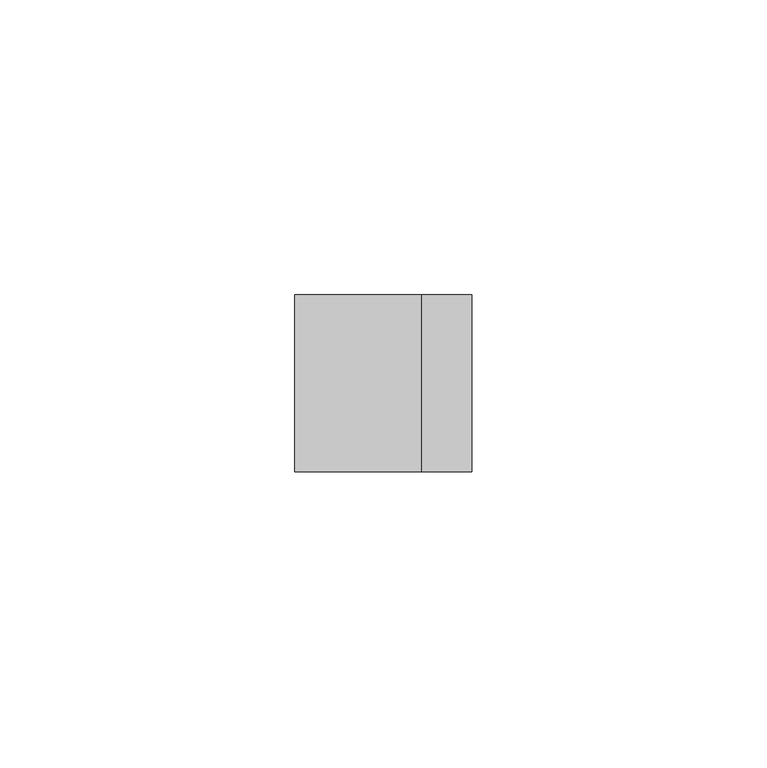
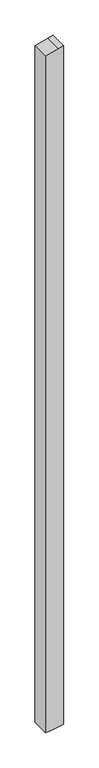
"""IFC4 building model written with IfcOpenShell, lengths in millimetres: member geometry."""

import ifcopenshell
import ifcopenshell.guid

model = None  # the IFC model being written
_history = None  # IfcOwnerHistory: only IFC2X3 demands one
_inside = {}  # id of a spatial element -> (the spatial element, [elements in it])
_under = {}  # id of a project, library or spatial element -> (it, [spatial elements below it])
_declared = {}  # id of a project -> (the project, [libraries it declares])
_typed = {}  # id of a type object -> (the type object, [elements of that type])
_made_of = {}  # id of a material, layer set ... -> (it, [elements and type objects made of it])


def new_model(schema):
    """Start an empty IFC model of exactly this schema.

    Asked for "IFC4X3", IfcOpenShell would pick the latest addendum, in which some entities
    have other attributes; the version numbers below select the first issue.
    IFC2X3 requires an IfcOwnerHistory on every rooted entity: one is made here for all.
    """
    global model, _history
    if schema == "IFC4X3":
        model = ifcopenshell.file(schema_version=(4, 3, 0, 0))
    else:
        model = ifcopenshell.file(schema=schema)
    _inside.clear()
    _under.clear()
    _declared.clear()
    _typed.clear()
    _made_of.clear()
    _history = None
    if model.schema == "IFC2X3":
        org = make("IfcOrganization", Name="unknown")
        user = make(
            "IfcPersonAndOrganization",
            ThePerson=make("IfcPerson", FamilyName="unknown"),
            TheOrganization=org,
        )
        app = make(
            "IfcApplication",
            ApplicationDeveloper=org,
            Version="unknown",
            ApplicationFullName="unknown",
            ApplicationIdentifier="unknown",
        )
        _history = make(
            "IfcOwnerHistory",
            OwningUser=user,
            OwningApplication=app,
            ChangeAction="ADDED",
            CreationDate=0,
        )
    return model


def make(cls, **values):
    """One entity of the class cls with the attributes given. An attribute that is None is left unset."""
    return model.create_entity(
        cls, **{name: value for name, value in values.items() if value is not None}
    )


def rooted(cls, **values):
    """An entity with a GlobalId (a new one), such as an element, a storey or a relation."""
    return make(cls, GlobalId=ifcopenshell.guid.new(), OwnerHistory=_history, **values)


def si_unit(unit_type, name, prefix=None):
    """IfcSIUnit, for example si_unit("LENGTHUNIT", "METRE", prefix="MILLI")."""
    return make("IfcSIUnit", UnitType=unit_type, Prefix=prefix, Name=name)


def assignment(units):
    """IfcUnitAssignment: the units of a project."""
    return None if units is None else make("IfcUnitAssignment", Units=units)


def point(xyz):
    """IfcCartesianPoint."""
    return None if xyz is None else make("IfcCartesianPoint", Coordinates=xyz)


def direction(xyz):
    """IfcDirection."""
    return None if xyz is None else make("IfcDirection", DirectionRatios=xyz)


def frame(location, z_axis=None, x_axis=None):
    """IfcAxis2Placement3D, a coordinate frame: its origin and axes. An axis left out is left unset."""
    return make(
        "IfcAxis2Placement3D",
        Location=point(location),
        Axis=direction(z_axis),
        RefDirection=direction(x_axis),
    )


def origin():
    """The frame at (0, 0, 0) with its axes left unset."""
    return frame((0.0, 0.0, 0.0))


def place(relative_to, where):
    """IfcLocalPlacement: puts the frame where relative to a parent placement (None: the world)."""
    return make(
        "IfcLocalPlacement", PlacementRelTo=relative_to, RelativePlacement=where
    )


def context(
    kind, dimensions, precision=None, world=None, true_north=None, identifier=None
):
    """IfcGeometricRepresentationContext, for example the 3D "Model" context."""
    return make(
        "IfcGeometricRepresentationContext",
        ContextIdentifier=identifier,
        ContextType=kind,
        CoordinateSpaceDimension=dimensions,
        Precision=precision,
        WorldCoordinateSystem=world,
        TrueNorth=true_north,
    )


def project(units=None, contexts=None):
    """IfcProject with its units and contexts."""
    return rooted(
        "IfcProject",
        Name="project",
        RepresentationContexts=contexts,
        UnitsInContext=assignment(units),
    )


def spatial(cls, under=None, at=None, **own):
    """A site, building, storey or space (cls), placed at a placement, below another one or the project."""
    s = rooted(cls, ObjectPlacement=at, **own)
    if under is not None:
        _under.setdefault(under.id(), (under, []))[1].append(s)
    return s


def polyline(points):
    """IfcPolyline through the points."""
    return make("IfcPolyline", Points=[point(p) for p in points])


def outline(outer, holes=None, kind="AREA"):
    """IfcArbitraryClosedProfileDef: a profile drawn as a closed curve; with holes, ...WithVoids."""
    if holes is None:
        return make("IfcArbitraryClosedProfileDef", ProfileType=kind, OuterCurve=outer)
    return make(
        "IfcArbitraryProfileDefWithVoids",
        ProfileType=kind,
        OuterCurve=outer,
        InnerCurves=holes,
    )


def extrude(swept, where, along, depth):
    """IfcExtrudedAreaSolid: the profile swept, set in the frame where, extruded along a direction by depth."""
    return make(
        "IfcExtrudedAreaSolid",
        SweptArea=swept,
        Position=where,
        ExtrudedDirection=direction(along),
        Depth=depth,
    )


def shape(context_of_items, identifier, shape_type, items):
    """IfcShapeRepresentation: the items that make up one representation, for example the "Body"."""
    return make(
        "IfcShapeRepresentation",
        ContextOfItems=context_of_items,
        RepresentationIdentifier=identifier,
        RepresentationType=shape_type,
        Items=items,
    )


def source(mapping_origin, context_of_items, identifier, shape_type, items):
    """IfcRepresentationMap: a shape defined once, which mapped items show again and again."""
    return make(
        "IfcRepresentationMap",
        MappingOrigin=mapping_origin,
        MappedRepresentation=shape(context_of_items, identifier, shape_type, items),
    )


def transform(
    local_origin,
    x_axis=None,
    y_axis=None,
    z_axis=None,
    scale=None,
    scale2=None,
    scale3=None,
    uniform=True,
):
    """IfcCartesianTransformationOperator3D, or its non-uniform kind. x_axis, y_axis, z_axis: its Axis1, 2, 3."""
    if uniform:
        return make(
            "IfcCartesianTransformationOperator3D",
            Axis1=direction(x_axis),
            Axis2=direction(y_axis),
            LocalOrigin=point(local_origin),
            Scale=scale,
            Axis3=direction(z_axis),
        )
    return make(
        "IfcCartesianTransformationOperator3DnonUniform",
        Axis1=direction(x_axis),
        Axis2=direction(y_axis),
        LocalOrigin=point(local_origin),
        Scale=scale,
        Axis3=direction(z_axis),
        Scale2=scale2,
        Scale3=scale3,
    )


def mapped(mapping_source, mapping_target):
    """IfcMappedItem: shows the shape of a source again, moved by a transform."""
    return make(
        "IfcMappedItem", MappingSource=mapping_source, MappingTarget=mapping_target
    )


def made_of(thing, what):
    """Note that an element or type object is made of a material, layer set ...; save() writes the relation."""
    if what is not None:
        _made_of.setdefault(what.id(), (what, []))[1].append(thing)
    return thing


def element(
    cls,
    number,
    at=None,
    inside=None,
    cuts=None,
    type_object=None,
    material=None,
    context=None,
    identifier="Body",
    shape_type=None,
    held_by="IfcProductDefinitionShape",
    body=None,
    shapes=None,
    **own,
):
    """One element of the class cls, such as IfcWall. Its Tag is "e" and its number.

    at: its placement. inside: the storey or other place that contains it. cuts: it is an
    opening in that element (IfcRelVoidsElement). A single representation is given by context,
    identifier, shape_type and body (its items); several are given by shapes. held_by: the class
    of the entity that holds the representations. save() writes the other relations.
    """
    e = rooted(cls, Tag="e%d" % number, ObjectPlacement=at, **own)
    if body is not None:
        shapes = [shape(context, identifier, shape_type, body)]
    if shapes is not None:
        e.Representation = make(held_by, Representations=shapes)
    if inside is not None:
        _inside.setdefault(inside.id(), (inside, []))[1].append(e)
    if cuts is not None:
        rooted(
            "IfcRelVoidsElement", RelatingBuildingElement=cuts, RelatedOpeningElement=e
        )
    if type_object is not None:
        _typed.setdefault(type_object.id(), (type_object, []))[1].append(e)
    return made_of(e, material)


def aggregate(whole, parts):
    """IfcRelAggregates: a whole, such as a stair, and the parts it consists of."""
    return rooted("IfcRelAggregates", RelatingObject=whole, RelatedObjects=parts)


def save(model, path):
    """Write the relations noted so far, then the file.

    IfcRelAggregates (storeys below a building ...), IfcRelContainedInSpatialStructure (elements
    in a storey), IfcRelDefinesByType, IfcRelAssociatesMaterial and IfcRelDeclares: one each for
    every whole, place, type object, material and project.
    """
    for whole, parts in _under.values():
        aggregate(whole, parts)
    for where, things in _inside.values():
        rooted(
            "IfcRelContainedInSpatialStructure",
            RelatedElements=things,
            RelatingStructure=where,
        )
    for kind, things in _typed.values():
        rooted("IfcRelDefinesByType", RelatedObjects=things, RelatingType=kind)
    for what, things in _made_of.values():
        rooted("IfcRelAssociatesMaterial", RelatedObjects=things, RelatingMaterial=what)
    for by, libraries in _declared.values():
        rooted("IfcRelDeclares", RelatingContext=by, RelatedDefinitions=libraries)
    model.write(path)


def member_1882391b(model_context):
    return source(origin(), model_context, "Body", "SweptSolid", [
        extrude(outline(polyline([(3.1373334, 15.0), (0.8518543, 6.4704761), (-4.9011424, -15.0), (-1179.5825996, -15.0), (-1178.4593751, -6.7259094), (-1175.510039, 15.0), (3.1373334, 15.0)])), frame((0.0, -15.0, 0.0), z_axis=(0.0, 1.0, 0.0), x_axis=(0.0, 0.0, 1.0)), (0.0, 0.0, 1.0), 30.0),
    ])


if __name__ == "__main__":
    model = new_model("IFC4")
    model_context = context("Model", 3, world=origin())
    ifc_project = project(units=[si_unit("LENGTHUNIT", "METRE", prefix="MILLI")], contexts=[model_context])
    site = spatial("IfcSite", under=ifc_project)
    building = spatial("IfcBuilding", under=site)
    placement = place(None, origin())
    member_shape = member_1882391b(model_context)
    element("IfcMember", 1, at=placement, inside=building, context=model_context, shape_type="MappedRepresentation", body=[
        mapped(member_shape, transform((0.0, 0.0, 0.0), x_axis=(1.0, 0.0, 0.0), y_axis=(0.0, 1.0, 0.0), z_axis=(0.0, 0.0, 1.0))),
    ])
    save(model, "model.ifc")
